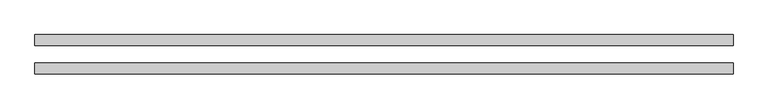
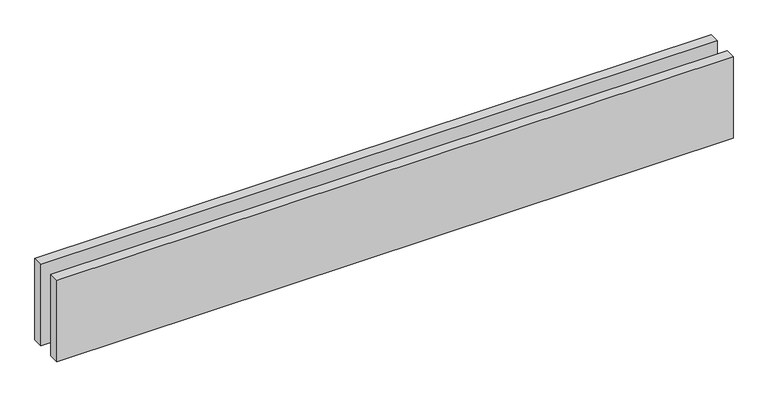
"""IFC4 building model written with IfcOpenShell, lengths in millimetres: proxy geometry."""

from ifc_helpers import new_model, si_unit, origin, origin_with_axes, place, context, project, spatial, polyline, outline, extrude, source, transform, mapped, element, save


def generic_models_85900aed(model_context):
    return source(origin(), model_context, "Body", "SweptSolid", [
        extrude(outline(polyline([(1960.0, -25.0), (1960.0, -55.0), (0.0, -55.0), (0.0, -25.0), (1960.0, -25.0)])), origin_with_axes(), (0.0, 0.0, 1.0), 250.0),
        extrude(outline(polyline([(1960.0, 55.0), (1960.0, 25.0), (0.0, 25.0), (0.0, 55.0), (1960.0, 55.0)])), origin_with_axes(), (0.0, 0.0, 1.0), 250.0),
    ])


if __name__ == "__main__":
    model = new_model("IFC4")
    model_context = context("Model", 3, world=origin())
    ifc_project = project(units=[si_unit("LENGTHUNIT", "METRE", prefix="MILLI")], contexts=[model_context])
    site = spatial("IfcSite", under=ifc_project)
    building = spatial("IfcBuilding", under=site)
    placement = place(None, origin())
    generic_models_shape = generic_models_85900aed(model_context)
    element("IfcBuildingElementProxy", 1, Name="Generic Models", at=placement, inside=building, context=model_context, shape_type="MappedRepresentation", body=[
        mapped(generic_models_shape, transform((0.0, 0.0, 0.0), x_axis=(1.0, 0.0, 0.0), y_axis=(0.0, 1.0, 0.0), z_axis=(0.0, 0.0, 1.0))),
    ])
    save(model, "model.ifc")
